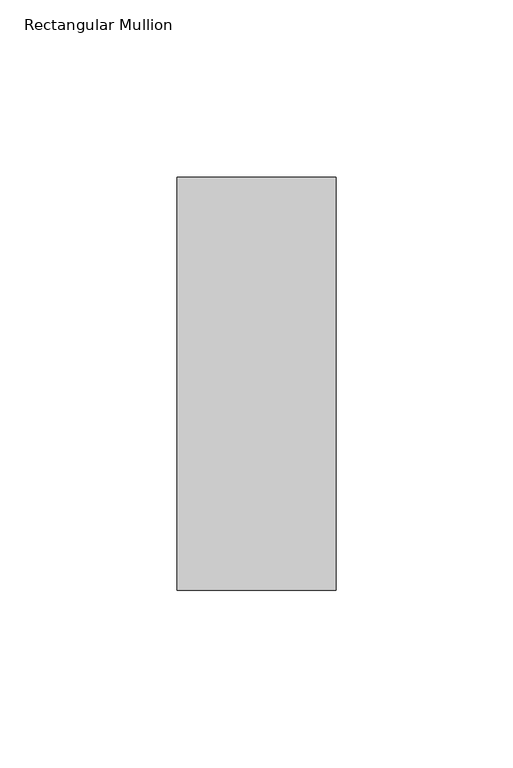
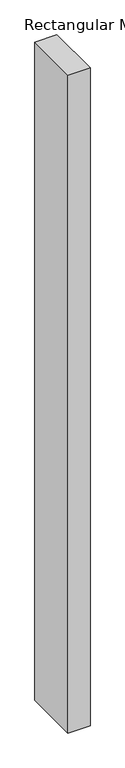
"""IFC4 building model written with IfcOpenShell, lengths in millimetres: member geometry, Rectangular Mullion."""

from ifc_helpers import new_model, si_unit, frame, origin, place, context, project, spatial, polyline, outline, extrude, source, transform, mapped, element, save


def rectangular_mullion_aaef6588(model_context):
    return source(origin(), model_context, "Body", "SweptSolid", [
        extrude(outline(polyline([(0.0, 73.875), (0.0, -42.8257813), (-45.0453125, -42.8257813), (-45.0453125, 73.875), (0.0, 73.875)])), frame((0.0, 0.0, -1418.6210113), z_axis=(0.0, 0.0, 1.0), x_axis=(1.0, 0.0, 0.0)), (0.0, 0.0, 1.0), 1418.6210113),
    ])


if __name__ == "__main__":
    model = new_model("IFC4")
    model_context = context("Model", 3, world=origin())
    ifc_project = project(units=[si_unit("LENGTHUNIT", "METRE", prefix="MILLI")], contexts=[model_context])
    site = spatial("IfcSite", under=ifc_project)
    building = spatial("IfcBuilding", under=site)
    placement = place(None, origin())
    rectangular_mullion_shape = rectangular_mullion_aaef6588(model_context)
    element("IfcMember", 1, ObjectType="Rectangular Mullion", at=placement, inside=building, context=model_context, shape_type="MappedRepresentation", body=[
        mapped(rectangular_mullion_shape, transform((0.0, 0.0, 0.0), x_axis=(1.0, 0.0, 0.0), y_axis=(0.0, 1.0, 0.0), z_axis=(0.0, 0.0, 1.0))),
    ])
    save(model, "model.ifc")
